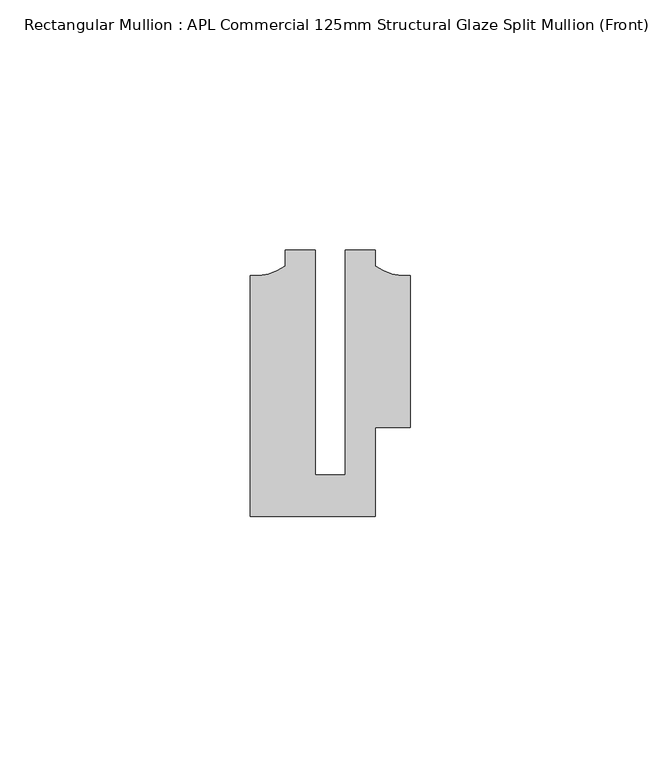
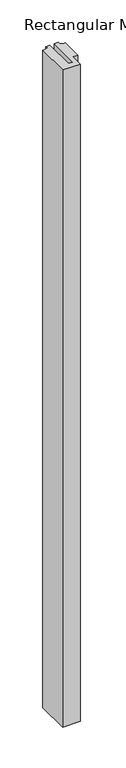
"""IFC4 building model written with IfcOpenShell, lengths in millimetres: member geometry, Rectangular Mullion : APL Commercial 125mm Structural Glaze Split Mullion (Front)."""

from ifc_helpers import new_model, si_unit, point, frame, frame_2d, origin, place, context, project, spatial, polyline, circle_curve, trimmed, segment, composite_curve, outline, extrude, source, transform, mapped, element, save


def rectangular_mullion_apl_commercial_125mm_structural_glaze_f9cf5e41(model_context):
    return source(origin(), model_context, "Body", "SweptSolid", [
        extrude(outline(composite_curve([segment(polyline([(15.9999391, -14.9953356), (9.0, -14.9953356), (9.0, -32.7960123), (-15.9999391, -32.7960123), (-15.9999391, 15.3837352)]), True, "CONTINUOUS"), segment(trimmed(circle_curve(frame_2d((-15.1098019, 25.802169)), 10.4563907), [point((-15.9999391, 15.3837352))], [point((-8.9999842, 17.3165203))], True, "CARTESIAN"), True, "CONTINUOUS"), segment(polyline([(-8.9999842, 17.3165203), (-8.9999842, 20.5039877), (-2.9999659, 20.5039877), (-2.9999659, -24.5130805), (2.9999676, -24.5130805), (2.9999676, 20.5039877), (8.9999842, 20.5039877), (8.9999842, 17.3165203)]), True, "CONTINUOUS"), segment(trimmed(circle_curve(frame_2d((15.1098019, 25.802169)), 10.4563907), [point((8.9999842, 17.3165203))], [point((15.9999391, 15.3837352))], True, "CARTESIAN"), True, "CONTINUOUS"), segment(polyline([(15.9999391, 15.3837352), (15.9999391, -14.9953356)]), True, "CONTINUOUS")], self_intersect=False)), frame((0.0, 0.0, -983.7033268), z_axis=(0.0, 0.0, 1.0), x_axis=(1.0, 0.0, 0.0)), (0.0, 0.0, 1.0), 983.7033268),
    ])


if __name__ == "__main__":
    model = new_model("IFC4")
    model_context = context("Model", 3, world=origin())
    ifc_project = project(units=[si_unit("LENGTHUNIT", "METRE", prefix="MILLI")], contexts=[model_context])
    site = spatial("IfcSite", under=ifc_project)
    building = spatial("IfcBuilding", under=site)
    placement = place(None, origin())
    rectangular_mullion_apl_commercial_125mm_structural_glaze_shape = rectangular_mullion_apl_commercial_125mm_structural_glaze_f9cf5e41(model_context)
    element("IfcMember", 1, ObjectType="Rectangular Mullion : APL Commercial 125mm Structural Glaze Split Mullion (Front)", at=placement, inside=building, context=model_context, shape_type="MappedRepresentation", body=[
        mapped(rectangular_mullion_apl_commercial_125mm_structural_glaze_shape, transform((0.0, 0.0, 0.0), x_axis=(1.0, 0.0, 0.0), y_axis=(0.0, 1.0, 0.0), z_axis=(0.0, 0.0, 1.0))),
    ])
    save(model, "model.ifc")
